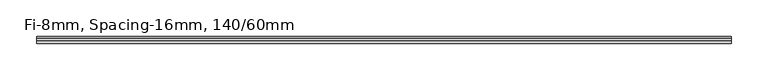
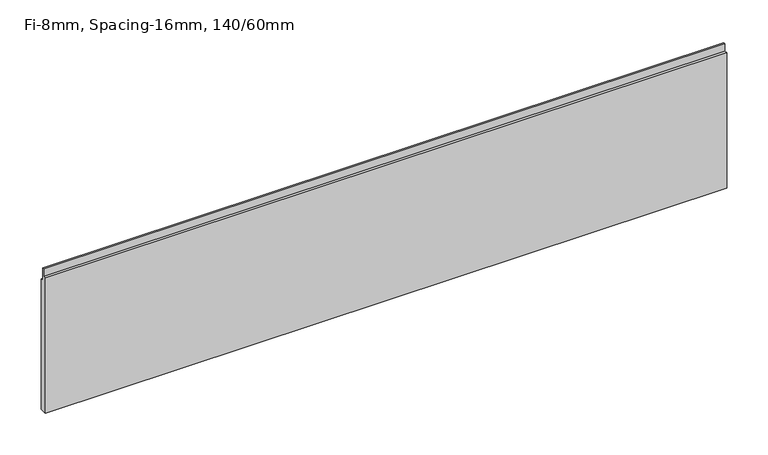
"""IFC4 building model written with IfcOpenShell, lengths in millimetres: plate geometry, Fi-8mm, Spacing-16mm, 140/60mm."""

from ifc_helpers import new_model, si_unit, frame, origin, place, context, project, spatial, polyline, outline, extrude, source, transform, mapped, element, save


def fi_8mm_spacing_16mm_140_60mm_c230c5ba(model_context):
    return source(origin(), model_context, "Body", "SweptSolid", [
        extrude(outline(polyline([(5.0, 0.0), (-5.0, 0.0), (-5.0, 200.0), (-1.0, 200.0), (-1.0, 211.0), (2.0, 211.0), (2.0, 193.0), (5.0, 193.0), (5.0, 0.0)])), frame((-475.5, 0.0, 0.0), z_axis=(1.0, 0.0, 0.0), x_axis=(0.0, 1.0, 0.0)), (0.0, 0.0, 1.0), 951.0),
    ])


if __name__ == "__main__":
    model = new_model("IFC4")
    model_context = context("Model", 3, world=origin())
    ifc_project = project(units=[si_unit("LENGTHUNIT", "METRE", prefix="MILLI")], contexts=[model_context])
    site = spatial("IfcSite", under=ifc_project)
    building = spatial("IfcBuilding", under=site)
    placement = place(None, origin())
    fi_8mm_spacing_16mm_140_60mm_shape = fi_8mm_spacing_16mm_140_60mm_c230c5ba(model_context)
    element("IfcPlate", 1, ObjectType="Fi-8mm, Spacing-16mm, 140/60mm", at=placement, inside=building, context=model_context, shape_type="MappedRepresentation", body=[
        mapped(fi_8mm_spacing_16mm_140_60mm_shape, transform((0.0, 0.0, 0.0), x_axis=(1.0, 0.0, 0.0), y_axis=(0.0, 1.0, 0.0), z_axis=(0.0, 0.0, 1.0))),
    ])
    save(model, "model.ifc")
